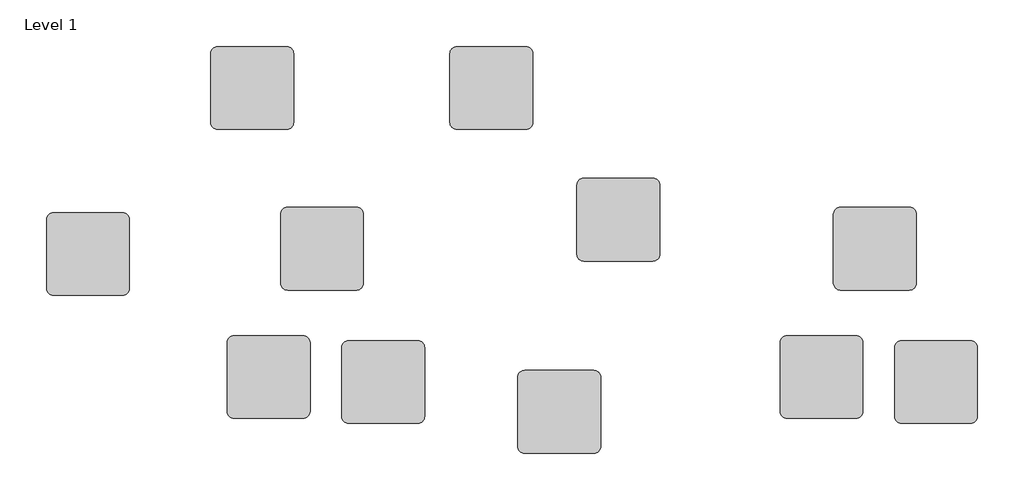
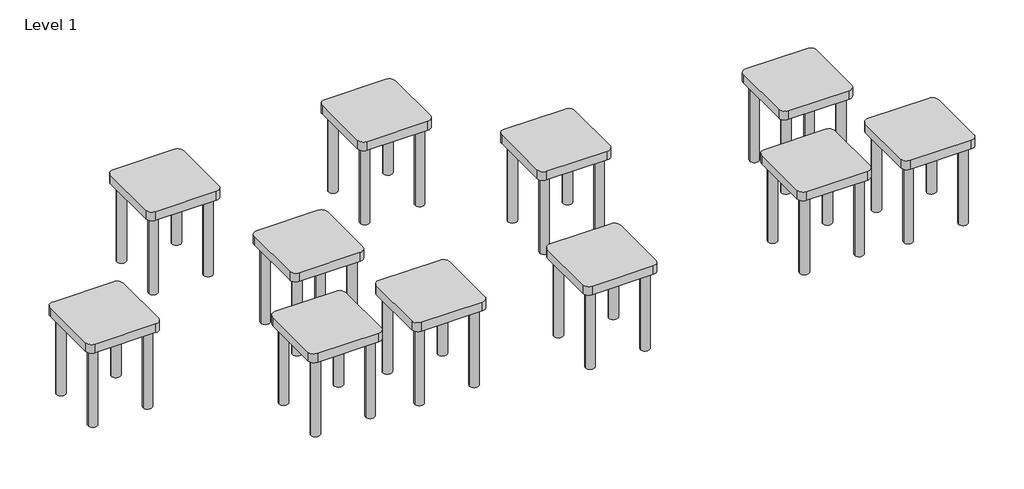
# One storey: 11 furniture elements.
"""IFC4 building model written with IfcOpenShell, lengths in millimetres."""

import ifcopenshell
import ifcopenshell.guid

model = None  # the IFC model being written
_history = None  # IfcOwnerHistory: only IFC2X3 demands one
_inside = {}  # id of a spatial element -> (the spatial element, [elements in it])
_under = {}  # id of a project, library or spatial element -> (it, [spatial elements below it])
_declared = {}  # id of a project -> (the project, [libraries it declares])
_typed = {}  # id of a type object -> (the type object, [elements of that type])
_made_of = {}  # id of a material, layer set ... -> (it, [elements and type objects made of it])


def new_model(schema):
    """Start an empty IFC model of exactly this schema.

    Asked for "IFC4X3", IfcOpenShell would pick the latest addendum, in which some entities
    have other attributes; the version numbers below select the first issue.
    IFC2X3 requires an IfcOwnerHistory on every rooted entity: one is made here for all.
    """
    global model, _history
    if schema == "IFC4X3":
        model = ifcopenshell.file(schema_version=(4, 3, 0, 0))
    else:
        model = ifcopenshell.file(schema=schema)
    _inside.clear()
    _under.clear()
    _declared.clear()
    _typed.clear()
    _made_of.clear()
    _history = None
    if model.schema == "IFC2X3":
        org = make("IfcOrganization", Name="unknown")
        user = make(
            "IfcPersonAndOrganization",
            ThePerson=make("IfcPerson", FamilyName="unknown"),
            TheOrganization=org,
        )
        app = make(
            "IfcApplication",
            ApplicationDeveloper=org,
            Version="unknown",
            ApplicationFullName="unknown",
            ApplicationIdentifier="unknown",
        )
        _history = make(
            "IfcOwnerHistory",
            OwningUser=user,
            OwningApplication=app,
            ChangeAction="ADDED",
            CreationDate=0,
        )
    return model


def make(cls, **values):
    """One entity of the class cls with the attributes given. An attribute that is None is left unset."""
    return model.create_entity(
        cls, **{name: value for name, value in values.items() if value is not None}
    )


def rooted(cls, **values):
    """An entity with a GlobalId (a new one), such as an element, a storey or a relation."""
    return make(cls, GlobalId=ifcopenshell.guid.new(), OwnerHistory=_history, **values)


def si_unit(unit_type, name, prefix=None):
    """IfcSIUnit, for example si_unit("LENGTHUNIT", "METRE", prefix="MILLI")."""
    return make("IfcSIUnit", UnitType=unit_type, Prefix=prefix, Name=name)


def assignment(units):
    """IfcUnitAssignment: the units of a project."""
    return None if units is None else make("IfcUnitAssignment", Units=units)


def point(xyz):
    """IfcCartesianPoint."""
    return None if xyz is None else make("IfcCartesianPoint", Coordinates=xyz)


def direction(xyz):
    """IfcDirection."""
    return None if xyz is None else make("IfcDirection", DirectionRatios=xyz)


def frame(location, z_axis=None, x_axis=None):
    """IfcAxis2Placement3D, a coordinate frame: its origin and axes. An axis left out is left unset."""
    return make(
        "IfcAxis2Placement3D",
        Location=point(location),
        Axis=direction(z_axis),
        RefDirection=direction(x_axis),
    )


def frame_2d(location, x_axis=None):
    """IfcAxis2Placement2D, a coordinate frame in the plane: its origin and x axis."""
    return make(
        "IfcAxis2Placement2D", Location=point(location), RefDirection=direction(x_axis)
    )


def origin():
    """The frame at (0, 0, 0) with its axes left unset."""
    return frame((0.0, 0.0, 0.0))


def origin_with_axes():
    """The frame at (0, 0, 0) with the z axis (0, 0, 1) and the x axis (1, 0, 0) written out."""
    return frame((0.0, 0.0, 0.0), z_axis=(0.0, 0.0, 1.0), x_axis=(1.0, 0.0, 0.0))


def place(relative_to, where):
    """IfcLocalPlacement: puts the frame where relative to a parent placement (None: the world)."""
    return make(
        "IfcLocalPlacement", PlacementRelTo=relative_to, RelativePlacement=where
    )


def context(
    kind, dimensions, precision=None, world=None, true_north=None, identifier=None
):
    """IfcGeometricRepresentationContext, for example the 3D "Model" context."""
    return make(
        "IfcGeometricRepresentationContext",
        ContextIdentifier=identifier,
        ContextType=kind,
        CoordinateSpaceDimension=dimensions,
        Precision=precision,
        WorldCoordinateSystem=world,
        TrueNorth=true_north,
    )


def project(units=None, contexts=None):
    """IfcProject with its units and contexts."""
    return rooted(
        "IfcProject",
        Name="project",
        RepresentationContexts=contexts,
        UnitsInContext=assignment(units),
    )


def spatial(cls, under=None, at=None, **own):
    """A site, building, storey or space (cls), placed at a placement, below another one or the project."""
    s = rooted(cls, ObjectPlacement=at, **own)
    if under is not None:
        _under.setdefault(under.id(), (under, []))[1].append(s)
    return s


def polyline(points):
    """IfcPolyline through the points."""
    return make("IfcPolyline", Points=[point(p) for p in points])


def circle_curve(where, radius):
    """IfcCircle in the frame where."""
    return make("IfcCircle", Position=where, Radius=radius)


def trimmed(basis, trim1, trim2, sense, master):
    """IfcTrimmedCurve: the piece of a basis curve between two trims."""
    return make(
        "IfcTrimmedCurve",
        BasisCurve=basis,
        Trim1=trim1,
        Trim2=trim2,
        SenseAgreement=sense,
        MasterRepresentation=master,
    )


def segment(curve, same_sense, transition):
    """IfcCompositeCurveSegment."""
    return make(
        "IfcCompositeCurveSegment",
        Transition=transition,
        SameSense=same_sense,
        ParentCurve=curve,
    )


def composite_curve(segments, self_intersect=None):
    """IfcCompositeCurve: segments joined end to end."""
    return make("IfcCompositeCurve", Segments=segments, SelfIntersect=self_intersect)


def outline(outer, holes=None, kind="AREA"):
    """IfcArbitraryClosedProfileDef: a profile drawn as a closed curve; with holes, ...WithVoids."""
    if holes is None:
        return make("IfcArbitraryClosedProfileDef", ProfileType=kind, OuterCurve=outer)
    return make(
        "IfcArbitraryProfileDefWithVoids",
        ProfileType=kind,
        OuterCurve=outer,
        InnerCurves=holes,
    )


def extrude(swept, where, along, depth):
    """IfcExtrudedAreaSolid: the profile swept, set in the frame where, extruded along a direction by depth."""
    return make(
        "IfcExtrudedAreaSolid",
        SweptArea=swept,
        Position=where,
        ExtrudedDirection=direction(along),
        Depth=depth,
    )


def shape(context_of_items, identifier, shape_type, items):
    """IfcShapeRepresentation: the items that make up one representation, for example the "Body"."""
    return make(
        "IfcShapeRepresentation",
        ContextOfItems=context_of_items,
        RepresentationIdentifier=identifier,
        RepresentationType=shape_type,
        Items=items,
    )


def source(mapping_origin, context_of_items, identifier, shape_type, items):
    """IfcRepresentationMap: a shape defined once, which mapped items show again and again."""
    return make(
        "IfcRepresentationMap",
        MappingOrigin=mapping_origin,
        MappedRepresentation=shape(context_of_items, identifier, shape_type, items),
    )


def transform(
    local_origin,
    x_axis=None,
    y_axis=None,
    z_axis=None,
    scale=None,
    scale2=None,
    scale3=None,
    uniform=True,
):
    """IfcCartesianTransformationOperator3D, or its non-uniform kind. x_axis, y_axis, z_axis: its Axis1, 2, 3."""
    if uniform:
        return make(
            "IfcCartesianTransformationOperator3D",
            Axis1=direction(x_axis),
            Axis2=direction(y_axis),
            LocalOrigin=point(local_origin),
            Scale=scale,
            Axis3=direction(z_axis),
        )
    return make(
        "IfcCartesianTransformationOperator3DnonUniform",
        Axis1=direction(x_axis),
        Axis2=direction(y_axis),
        LocalOrigin=point(local_origin),
        Scale=scale,
        Axis3=direction(z_axis),
        Scale2=scale2,
        Scale3=scale3,
    )


def mapped(mapping_source, mapping_target):
    """IfcMappedItem: shows the shape of a source again, moved by a transform."""
    return make(
        "IfcMappedItem", MappingSource=mapping_source, MappingTarget=mapping_target
    )


def made_of(thing, what):
    """Note that an element or type object is made of a material, layer set ...; save() writes the relation."""
    if what is not None:
        _made_of.setdefault(what.id(), (what, []))[1].append(thing)
    return thing


def element(
    cls,
    number,
    at=None,
    inside=None,
    cuts=None,
    type_object=None,
    material=None,
    context=None,
    identifier="Body",
    shape_type=None,
    held_by="IfcProductDefinitionShape",
    body=None,
    shapes=None,
    **own,
):
    """One element of the class cls, such as IfcWall. Its Tag is "e" and its number.

    at: its placement. inside: the storey or other place that contains it. cuts: it is an
    opening in that element (IfcRelVoidsElement). A single representation is given by context,
    identifier, shape_type and body (its items); several are given by shapes. held_by: the class
    of the entity that holds the representations. save() writes the other relations.
    """
    e = rooted(cls, Tag="e%d" % number, ObjectPlacement=at, **own)
    if body is not None:
        shapes = [shape(context, identifier, shape_type, body)]
    if shapes is not None:
        e.Representation = make(held_by, Representations=shapes)
    if inside is not None:
        _inside.setdefault(inside.id(), (inside, []))[1].append(e)
    if cuts is not None:
        rooted(
            "IfcRelVoidsElement", RelatingBuildingElement=cuts, RelatedOpeningElement=e
        )
    if type_object is not None:
        _typed.setdefault(type_object.id(), (type_object, []))[1].append(e)
    return made_of(e, material)


def aggregate(whole, parts):
    """IfcRelAggregates: a whole, such as a stair, and the parts it consists of."""
    return rooted("IfcRelAggregates", RelatingObject=whole, RelatedObjects=parts)


def save(model, path):
    """Write the relations noted so far, then the file.

    IfcRelAggregates (storeys below a building ...), IfcRelContainedInSpatialStructure (elements
    in a storey), IfcRelDefinesByType, IfcRelAssociatesMaterial and IfcRelDeclares: one each for
    every whole, place, type object, material and project.
    """
    for whole, parts in _under.values():
        aggregate(whole, parts)
    for where, things in _inside.values():
        rooted(
            "IfcRelContainedInSpatialStructure",
            RelatedElements=things,
            RelatingStructure=where,
        )
    for kind, things in _typed.values():
        rooted("IfcRelDefinesByType", RelatedObjects=things, RelatingType=kind)
    for what, things in _made_of.values():
        rooted("IfcRelAssociatesMaterial", RelatedObjects=things, RelatingMaterial=what)
    for by, libraries in _declared.values():
        rooted("IfcRelDeclares", RelatingContext=by, RelatedDefinitions=libraries)
    model.write(path)


def furniture_0610_x_0160mm_e0e5b28f(model_context):
    return source(origin(), model_context, "Body", "SweptSolid", [
        extrude(outline(composite_curve([segment(polyline([(562.9336303, -152.6), (54.5336303, -152.6)]), True, "CONTINUOUS"), segment(trimmed(circle_curve(frame_2d((54.5336303, -101.8)), 50.8), [point((54.5336303, -152.6))], [point((3.7336303, -101.8))], False, "CARTESIAN"), True, "CONTINUOUS"), segment(polyline([(3.7336303, -101.8), (3.7336303, 406.6)]), True, "CONTINUOUS"), segment(trimmed(circle_curve(frame_2d((54.5336303, 406.6)), 50.8), [point((3.7336303, 406.6))], [point((54.5336303, 457.4))], False, "CARTESIAN"), True, "CONTINUOUS"), segment(polyline([(54.5336303, 457.4), (562.9336303, 457.4)]), True, "CONTINUOUS"), segment(trimmed(circle_curve(frame_2d((562.9336303, 406.6)), 50.8), [point((562.9336303, 457.4))], [point((613.7336303, 406.6))], False, "CARTESIAN"), True, "CONTINUOUS"), segment(polyline([(613.7336303, 406.6), (613.7336303, -101.8)]), True, "CONTINUOUS"), segment(trimmed(circle_curve(frame_2d((562.9336303, -101.8)), 50.8), [point((613.7336303, -101.8))], [point((562.9336303, -152.6))], False, "CARTESIAN"), True, "CONTINUOUS")], self_intersect=False)), frame((0.0, 0.0, 685.8), z_axis=(0.0, 0.0, 1.0), x_axis=(1.0, 0.0, 0.0)), (0.0, 0.0, 1.0), 76.2),
        extrude(outline(composite_curve([segment(trimmed(circle_curve(frame_2d((79.9336303, 381.2)), 38.1), [point((41.8336303, 381.2))], [point((118.0336303, 381.2))], False, "CARTESIAN"), True, "CONTINUOUS"), segment(trimmed(circle_curve(frame_2d((79.9336303, 381.2)), 38.1), [point((118.0336303, 381.2))], [point((41.8336303, 381.2))], False, "CARTESIAN"), True, "CONTINUOUS")], self_intersect=False)), origin_with_axes(), (0.0, 0.0, 1.0), 685.8),
        extrude(outline(composite_curve([segment(trimmed(circle_curve(frame_2d((79.9336303, -76.4)), 38.1), [point((41.8336303, -76.4))], [point((118.0336303, -76.4))], False, "CARTESIAN"), True, "CONTINUOUS"), segment(trimmed(circle_curve(frame_2d((79.9336303, -76.4)), 38.1), [point((118.0336303, -76.4))], [point((41.8336303, -76.4))], False, "CARTESIAN"), True, "CONTINUOUS")], self_intersect=False)), origin_with_axes(), (0.0, 0.0, 1.0), 685.8),
        extrude(outline(composite_curve([segment(trimmed(circle_curve(frame_2d((537.5336303, -76.4)), 38.1), [point((499.4336303, -76.4))], [point((575.6336303, -76.4))], False, "CARTESIAN"), True, "CONTINUOUS"), segment(trimmed(circle_curve(frame_2d((537.5336303, -76.4)), 38.1), [point((575.6336303, -76.4))], [point((499.4336303, -76.4))], False, "CARTESIAN"), True, "CONTINUOUS")], self_intersect=False)), origin_with_axes(), (0.0, 0.0, 1.0), 685.8),
        extrude(outline(composite_curve([segment(trimmed(circle_curve(frame_2d((537.5336303, 381.2)), 38.1), [point((499.4336303, 381.2))], [point((575.6336303, 381.2))], False, "CARTESIAN"), True, "CONTINUOUS"), segment(trimmed(circle_curve(frame_2d((537.5336303, 381.2)), 38.1), [point((575.6336303, 381.2))], [point((499.4336303, 381.2))], False, "CARTESIAN"), True, "CONTINUOUS")], self_intersect=False)), origin_with_axes(), (0.0, 0.0, 1.0), 685.8),
    ])


model = new_model("IFC4")

# Units and contexts
model_context = context("Model", 3, world=origin())
ifc_project = project(units=[si_unit("LENGTHUNIT", "METRE", prefix="MILLI")], contexts=[model_context])

# Site, building, storey
site = spatial("IfcSite", under=ifc_project)
building = spatial("IfcBuilding", under=site)
storey = spatial("IfcBuildingStorey", under=building, Name="Level 1", Elevation=0.0)

# Furniture
placement = place(None, origin())
furniture_0610_x_0160mm_shape = furniture_0610_x_0160mm_e0e5b28f(model_context)
element("IfcFurniture", 1, ObjectType="0610 x 0160mm", at=placement, inside=storey, context=model_context, shape_type="MappedRepresentation", body=[
    mapped(furniture_0610_x_0160mm_shape, transform((5378.8358099, 687.5489792, 0.0), x_axis=(1.0, 0.0, 0.0), y_axis=(0.0, 1.0, 0.0), z_axis=(0.0, 0.0, 1.0))),
])
element("IfcFurniture", 2, ObjectType="0610 x 0160mm", at=placement, inside=storey, context=model_context, shape_type="MappedRepresentation", body=[
    mapped(furniture_0610_x_0160mm_shape, transform((7640.8358099, -1698.4510208, 0.0), x_axis=(1.0, 0.0, 0.0), y_axis=(0.0, 1.0, 0.0), z_axis=(0.0, 0.0, 1.0))),
])
element("IfcFurniture", 3, ObjectType="Nested 1 : 0610 x 0160mm", at=placement, inside=storey, context=model_context, shape_type="MappedRepresentation", body=[
    mapped(furniture_0610_x_0160mm_shape, transform((7140.8358099, 687.5489792, 0.0), x_axis=(1.0, 0.0, 0.0), y_axis=(0.0, 1.0, 0.0), z_axis=(0.0, 0.0, 1.0))),
])
element("IfcFurniture", 4, ObjectType="Nested 1 : 0610 x 0160mm", at=placement, inside=storey, context=model_context, shape_type="MappedRepresentation", body=[
    mapped(furniture_0610_x_0160mm_shape, transform((4168.8358099, -536.4510208, 0.0), x_axis=(1.0, 0.0, 0.0), y_axis=(0.0, 1.0, 0.0), z_axis=(0.0, 0.0, 1.0))),
])
element("IfcFurniture", 5, ObjectType="Nested 3 : 0610 x 0160mm", at=placement, inside=storey, context=model_context, shape_type="MappedRepresentation", body=[
    mapped(furniture_0610_x_0160mm_shape, transform((10416.8358099, -1478.4510208, 0.0), x_axis=(1.0, 0.0, 0.0), y_axis=(0.0, 1.0, 0.0), z_axis=(0.0, 0.0, 1.0))),
])
element("IfcFurniture", 6, ObjectType="Nested 3 : 0610 x 0160mm", at=placement, inside=storey, context=model_context, shape_type="MappedRepresentation", body=[
    mapped(furniture_0610_x_0160mm_shape, transform((6343.8358099, -1478.4510208, 0.0), x_axis=(1.0, 0.0, 0.0), y_axis=(0.0, 1.0, 0.0), z_axis=(0.0, 0.0, 1.0))),
])
element("IfcFurniture", 7, ObjectType="Nested 3 : 0610 x 0160mm", at=placement, inside=storey, context=model_context, shape_type="MappedRepresentation", body=[
    mapped(furniture_0610_x_0160mm_shape, transform((8075.7934757, -283.0226886, 0.0), x_axis=(1.0, 0.0, 0.0), y_axis=(0.0, 1.0, 0.0), z_axis=(0.0, 0.0, 1.0))),
])
element("IfcFurniture", 8, ObjectType="Nested 4 : 0610 x 0160mm", at=placement, inside=storey, context=model_context, shape_type="MappedRepresentation", body=[
    mapped(furniture_0610_x_0160mm_shape, transform((9572.8358099, -1442.4510208, 0.0), x_axis=(1.0, 0.0, 0.0), y_axis=(0.0, 1.0, 0.0), z_axis=(0.0, 0.0, 1.0))),
])
element("IfcFurniture", 9, ObjectType="Nested 4 : 0610 x 0160mm", at=placement, inside=storey, context=model_context, shape_type="MappedRepresentation", body=[
    mapped(furniture_0610_x_0160mm_shape, transform((5499.8358099, -1442.4510208, 0.0), x_axis=(1.0, 0.0, 0.0), y_axis=(0.0, 1.0, 0.0), z_axis=(0.0, 0.0, 1.0))),
])
element("IfcFurniture", 10, ObjectType="Nested 5 : 0610 x 0160mm", at=placement, inside=storey, context=model_context, shape_type="MappedRepresentation", body=[
    mapped(furniture_0610_x_0160mm_shape, transform((9966.2084163, -496.4510208, 0.0), x_axis=(1.0, 0.0, 0.0), y_axis=(0.0, 1.0, 0.0), z_axis=(0.0, 0.0, 1.0))),
])
element("IfcFurniture", 11, ObjectType="Nested 5 : 0610 x 0160mm", at=placement, inside=storey, context=model_context, shape_type="MappedRepresentation", body=[
    mapped(furniture_0610_x_0160mm_shape, transform((5893.2084163, -496.4510208, 0.0), x_axis=(1.0, 0.0, 0.0), y_axis=(0.0, 1.0, 0.0), z_axis=(0.0, 0.0, 1.0))),
])

save(model, "model.ifc")
